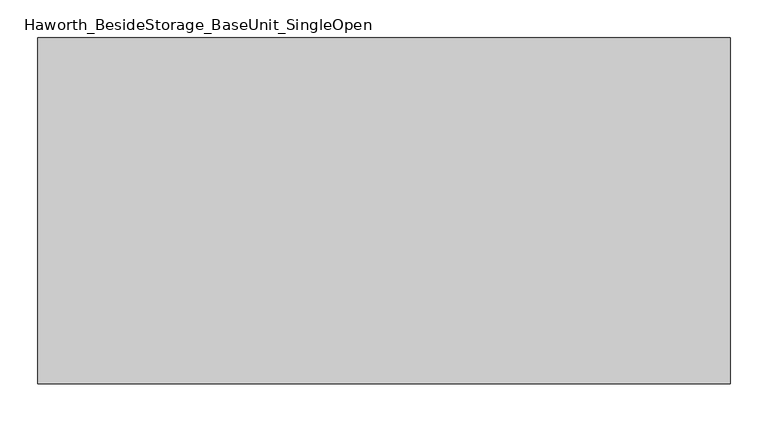
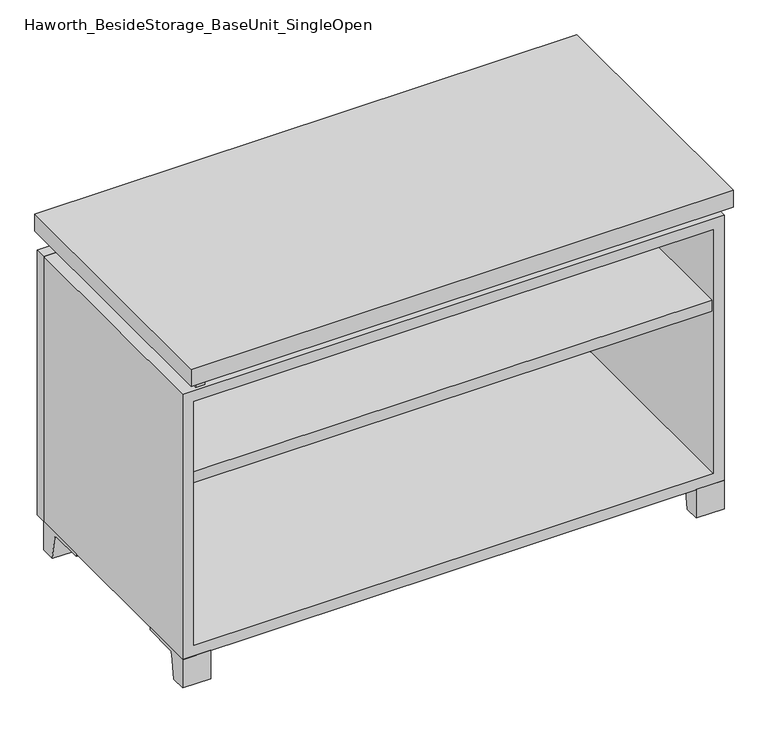
"""IFC4 building model written with IfcOpenShell, lengths in millimetres: furniture geometry, Haworth_BesideStorage_BaseUnit_SingleOpen."""

from ifc_helpers import new_model, si_unit, point, frame, frame_2d, origin, place, context, project, spatial, polyline, circle_curve, trimmed, segment, composite_curve, outline, extrude, source, transform, mapped, element, save


def haworth_besidestorage_baseunit_singleopen_afe5ba90(model_context):
    return source(origin(), model_context, "Body", "SweptSolid", [
        extrude(outline(polyline([(438.1638906, 222.25), (438.1638906, -136.525), (-438.1361094, -136.525), (-438.1361094, 222.25), (438.1638906, 222.25)])), frame((0.0, 0.0, 357.98125), z_axis=(0.0, 0.0, 1.0), x_axis=(1.0, 0.0, 0.0)), (0.0, 0.0, 1.0), 19.05),
        extrude(outline(polyline([(457.2138906, 292.1), (457.2138906, -165.1), (-457.1861094, -165.1), (-457.1861094, 292.1), (457.2138906, 292.1)])), frame((0.0, 0.0, 554.0375), z_axis=(0.0, 0.0, 1.0), x_axis=(1.0, 0.0, 0.0)), (0.0, 0.0, 1.0), 30.1625),
        extrude(outline(composite_curve([segment(polyline([(-114.3000136, 0.0), (-139.7, 0.0), (-139.7, 50.8), (-44.45, 50.8), (-44.45, 46.0213321), (-101.2505345, 46.0213321)]), True, "CONTINUOUS"), segment(trimmed(circle_curve(frame_2d((-101.2505345, 39.6713321)), 6.35), [point((-101.2505345, 46.0213321))], [point((-107.5141359, 40.7152656))], True, "CARTESIAN"), True, "CONTINUOUS"), segment(polyline([(-107.5141359, 40.7152656), (-114.3000136, 0.0)]), True, "CONTINUOUS")], self_intersect=False)), frame((409.5888906, 0.0, 0.0), z_axis=(1.0, 0.0, 0.0), x_axis=(0.0, 1.0, 0.0)), (0.0, 0.0, 1.0), 47.625),
        extrude(outline(composite_curve([segment(polyline([(241.3000136, 0.0), (234.5141359, 40.7152656)]), True, "CONTINUOUS"), segment(trimmed(circle_curve(frame_2d((228.2505345, 39.6713321)), 6.35), [point((234.5141359, 40.7152656))], [point((228.2505345, 46.0213321))], True, "CARTESIAN"), True, "CONTINUOUS"), segment(polyline([(228.2505345, 46.0213321), (171.45, 46.0213321), (171.45, 50.8), (266.7, 50.8), (266.7, 0.0), (241.3000136, 0.0)]), True, "CONTINUOUS")], self_intersect=False)), frame((409.5888906, 0.0, 0.0), z_axis=(1.0, 0.0, 0.0), x_axis=(0.0, 1.0, 0.0)), (0.0, 0.0, 1.0), 47.625),
        extrude(outline(composite_curve([segment(polyline([(-114.3000136, 0.0), (-139.7, 0.0), (-139.7, 50.8), (-44.45, 50.8), (-44.45, 46.0213321), (-101.2505345, 46.0213321)]), True, "CONTINUOUS"), segment(trimmed(circle_curve(frame_2d((-101.2505345, 39.6713321)), 6.35), [point((-101.2505345, 46.0213321))], [point((-107.5141359, 40.7152656))], True, "CARTESIAN"), True, "CONTINUOUS"), segment(polyline([(-107.5141359, 40.7152656), (-114.3000136, 0.0)]), True, "CONTINUOUS")], self_intersect=False)), frame((-457.1861094, 0.0, 0.0), z_axis=(1.0, 0.0, 0.0), x_axis=(0.0, 1.0, 0.0)), (0.0, 0.0, 1.0), 47.625),
        extrude(outline(composite_curve([segment(polyline([(241.3000136, 0.0), (234.5141359, 40.7152656)]), True, "CONTINUOUS"), segment(trimmed(circle_curve(frame_2d((228.2505345, 39.6713321)), 6.35), [point((234.5141359, 40.7152656))], [point((228.2505345, 46.0213321))], True, "CARTESIAN"), True, "CONTINUOUS"), segment(polyline([(228.2505345, 46.0213321), (171.45, 46.0213321), (171.45, 50.8), (266.7, 50.8), (266.7, 0.0), (241.3000136, 0.0)]), True, "CONTINUOUS")], self_intersect=False)), frame((-457.1861094, 0.0, 0.0), z_axis=(1.0, 0.0, 0.0), x_axis=(0.0, 1.0, 0.0)), (0.0, 0.0, 1.0), 47.625),
        extrude(outline(polyline([(-431.7791641, -133.35), (-431.7791641, 234.95), (-415.9041641, 234.95), (-415.9041641, 73.025), (415.9111094, 73.025), (415.9111094, 247.65), (431.7861094, 247.65), (431.7861094, -120.65), (415.9111094, -120.65), (415.9111094, 53.975), (-415.9041641, 53.975), (-415.9041641, -133.35), (-431.7791641, -133.35)])), frame((0.0, 0.0, 523.875), z_axis=(0.0, 0.0, 1.0), x_axis=(1.0, 0.0, 0.0)), (0.0, 0.0, 1.0), 30.1625),
        extrude(outline(polyline([(457.2138906, 266.7), (-457.1861094, 266.7), (-457.1861094, 285.75), (457.2138906, 285.75), (457.2138906, 266.7)])), frame((0.0, 0.0, 50.8), z_axis=(0.0, 0.0, 1.0), x_axis=(1.0, 0.0, 0.0)), (0.0, 0.0, 1.0), 473.075),
        extrude(outline(polyline([(50.8, -457.1861094), (50.8, 457.2138906), (523.875, 457.2138906), (523.875, -457.1861094), (50.8, -457.1861094)]), holes=[polyline([(69.85, -438.1361094), (504.825, -438.1361094), (504.825, 438.1569453), (69.85, 438.1569453), (69.85, -438.1361094)])]), frame((0.0, -139.7, 0.0), z_axis=(0.0, 1.0, 0.0), x_axis=(0.0, 0.0, 1.0)), (0.0, 0.0, 1.0), 406.4),
        extrude(outline(polyline([(-438.1291641, 234.95), (-438.1291641, 241.3), (438.1569453, 241.3), (438.1569453, 234.95), (-438.1291641, 234.95)])), frame((0.0, 0.0, 69.85), z_axis=(0.0, 0.0, 1.0), x_axis=(1.0, 0.0, 0.0)), (0.0, 0.0, 1.0), 434.975),
    ])


if __name__ == "__main__":
    model = new_model("IFC4")
    model_context = context("Model", 3, world=origin())
    ifc_project = project(units=[si_unit("LENGTHUNIT", "METRE", prefix="MILLI")], contexts=[model_context])
    site = spatial("IfcSite", under=ifc_project)
    building = spatial("IfcBuilding", under=site)
    placement = place(None, origin())
    haworth_besidestorage_baseunit_singleopen_shape = haworth_besidestorage_baseunit_singleopen_afe5ba90(model_context)
    element("IfcFurniture", 1, ObjectType="Haworth_BesideStorage_BaseUnit_SingleOpen", at=placement, inside=building, context=model_context, shape_type="MappedRepresentation", body=[
        mapped(haworth_besidestorage_baseunit_singleopen_shape, transform((0.0, 0.0, 0.0), x_axis=(1.0, 0.0, 0.0), y_axis=(0.0, 1.0, 0.0), z_axis=(0.0, 0.0, 1.0))),
    ])
    save(model, "model.ifc")
